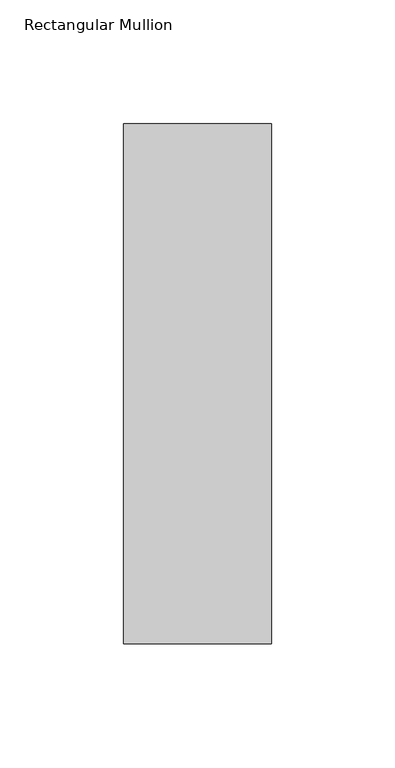
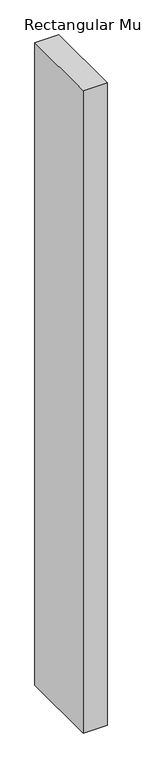
"""IFC4 building model written with IfcOpenShell, lengths in millimetres: member geometry, Rectangular Mullion."""

from ifc_helpers import new_model, si_unit, frame, origin, place, context, project, spatial, polyline, outline, extrude, source, transform, mapped, element, save


def rectangular_mullion_a8a7658e(model_context):
    return source(origin(), model_context, "Body", "SweptSolid", [
        extrude(outline(polyline([(30.0, 170.7), (30.0, -39.7), (-30.0, -39.7), (-30.0, 170.7), (30.0, 170.7)])), frame((0.0, 0.0, -1708.8912252), z_axis=(0.0, 0.0, 1.0), x_axis=(1.0, 0.0, 0.0)), (0.0, 0.0, 1.0), 1708.8912252),
    ])


if __name__ == "__main__":
    model = new_model("IFC4")
    model_context = context("Model", 3, world=origin())
    ifc_project = project(units=[si_unit("LENGTHUNIT", "METRE", prefix="MILLI")], contexts=[model_context])
    site = spatial("IfcSite", under=ifc_project)
    building = spatial("IfcBuilding", under=site)
    placement = place(None, origin())
    rectangular_mullion_shape = rectangular_mullion_a8a7658e(model_context)
    element("IfcMember", 1, ObjectType="Rectangular Mullion", at=placement, inside=building, context=model_context, shape_type="MappedRepresentation", body=[
        mapped(rectangular_mullion_shape, transform((0.0, 0.0, 0.0), x_axis=(1.0, 0.0, 0.0), y_axis=(0.0, 1.0, 0.0), z_axis=(0.0, 0.0, 1.0))),
    ])
    save(model, "model.ifc")
